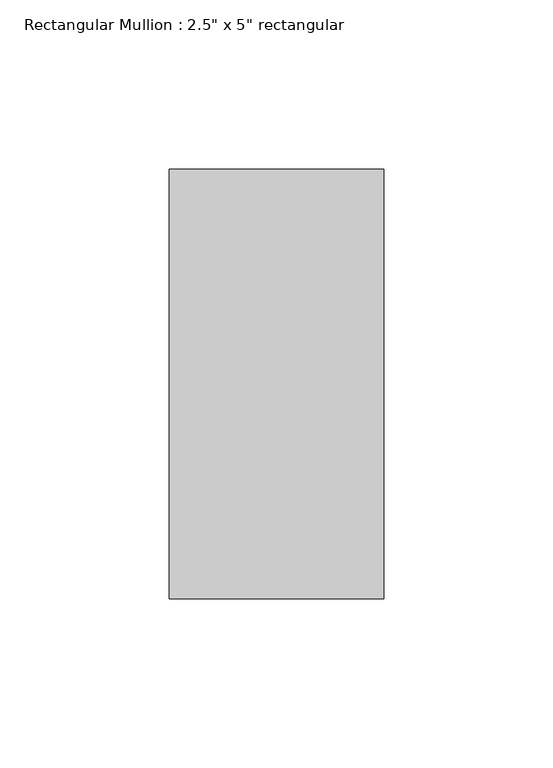
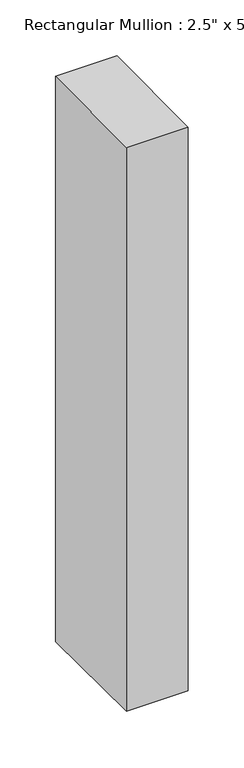
"""IFC4 building model written with IfcOpenShell, lengths in millimetres: member geometry."""

import ifcopenshell
import ifcopenshell.guid

model = None  # the IFC model being written
_history = None  # IfcOwnerHistory: only IFC2X3 demands one
_inside = {}  # id of a spatial element -> (the spatial element, [elements in it])
_under = {}  # id of a project, library or spatial element -> (it, [spatial elements below it])
_declared = {}  # id of a project -> (the project, [libraries it declares])
_typed = {}  # id of a type object -> (the type object, [elements of that type])
_made_of = {}  # id of a material, layer set ... -> (it, [elements and type objects made of it])


def new_model(schema):
    """Start an empty IFC model of exactly this schema.

    Asked for "IFC4X3", IfcOpenShell would pick the latest addendum, in which some entities
    have other attributes; the version numbers below select the first issue.
    IFC2X3 requires an IfcOwnerHistory on every rooted entity: one is made here for all.
    """
    global model, _history
    if schema == "IFC4X3":
        model = ifcopenshell.file(schema_version=(4, 3, 0, 0))
    else:
        model = ifcopenshell.file(schema=schema)
    _inside.clear()
    _under.clear()
    _declared.clear()
    _typed.clear()
    _made_of.clear()
    _history = None
    if model.schema == "IFC2X3":
        org = make("IfcOrganization", Name="unknown")
        user = make(
            "IfcPersonAndOrganization",
            ThePerson=make("IfcPerson", FamilyName="unknown"),
            TheOrganization=org,
        )
        app = make(
            "IfcApplication",
            ApplicationDeveloper=org,
            Version="unknown",
            ApplicationFullName="unknown",
            ApplicationIdentifier="unknown",
        )
        _history = make(
            "IfcOwnerHistory",
            OwningUser=user,
            OwningApplication=app,
            ChangeAction="ADDED",
            CreationDate=0,
        )
    return model


def make(cls, **values):
    """One entity of the class cls with the attributes given. An attribute that is None is left unset."""
    return model.create_entity(
        cls, **{name: value for name, value in values.items() if value is not None}
    )


def rooted(cls, **values):
    """An entity with a GlobalId (a new one), such as an element, a storey or a relation."""
    return make(cls, GlobalId=ifcopenshell.guid.new(), OwnerHistory=_history, **values)


def si_unit(unit_type, name, prefix=None):
    """IfcSIUnit, for example si_unit("LENGTHUNIT", "METRE", prefix="MILLI")."""
    return make("IfcSIUnit", UnitType=unit_type, Prefix=prefix, Name=name)


def assignment(units):
    """IfcUnitAssignment: the units of a project."""
    return None if units is None else make("IfcUnitAssignment", Units=units)


def point(xyz):
    """IfcCartesianPoint."""
    return None if xyz is None else make("IfcCartesianPoint", Coordinates=xyz)


def direction(xyz):
    """IfcDirection."""
    return None if xyz is None else make("IfcDirection", DirectionRatios=xyz)


def frame(location, z_axis=None, x_axis=None):
    """IfcAxis2Placement3D, a coordinate frame: its origin and axes. An axis left out is left unset."""
    return make(
        "IfcAxis2Placement3D",
        Location=point(location),
        Axis=direction(z_axis),
        RefDirection=direction(x_axis),
    )


def origin():
    """The frame at (0, 0, 0) with its axes left unset."""
    return frame((0.0, 0.0, 0.0))


def place(relative_to, where):
    """IfcLocalPlacement: puts the frame where relative to a parent placement (None: the world)."""
    return make(
        "IfcLocalPlacement", PlacementRelTo=relative_to, RelativePlacement=where
    )


def context(
    kind, dimensions, precision=None, world=None, true_north=None, identifier=None
):
    """IfcGeometricRepresentationContext, for example the 3D "Model" context."""
    return make(
        "IfcGeometricRepresentationContext",
        ContextIdentifier=identifier,
        ContextType=kind,
        CoordinateSpaceDimension=dimensions,
        Precision=precision,
        WorldCoordinateSystem=world,
        TrueNorth=true_north,
    )


def project(units=None, contexts=None):
    """IfcProject with its units and contexts."""
    return rooted(
        "IfcProject",
        Name="project",
        RepresentationContexts=contexts,
        UnitsInContext=assignment(units),
    )


def spatial(cls, under=None, at=None, **own):
    """A site, building, storey or space (cls), placed at a placement, below another one or the project."""
    s = rooted(cls, ObjectPlacement=at, **own)
    if under is not None:
        _under.setdefault(under.id(), (under, []))[1].append(s)
    return s


def faces_of(points, faces, orient=None, outer=None):
    """IfcFace entities. A face is a list of loops; a loop is a list of indices into points, from 0.

    orient and outer hold one flag for each loop. By default every Orientation is true, the
    first loop of a face is its IfcFaceOuterBound and the others are IfcFaceBound.
    """
    made = []
    for i, loops in enumerate(faces):
        bounds = []
        for j, loop in enumerate(loops):
            is_outer = j == 0 if outer is None else outer[i][j]
            bounds.append(
                make(
                    "IfcFaceOuterBound" if is_outer else "IfcFaceBound",
                    Bound=make("IfcPolyLoop", Polygon=[points[k] for k in loop]),
                    Orientation=True if orient is None else orient[i][j],
                )
            )
        made.append(make("IfcFace", Bounds=bounds))
    return made


def faceted_brep(points, faces, orient=None, outer=None, voids=None):
    """IfcFacetedBrep: a solid bounded by flat faces; with voids (closed shells), ...WithVoids."""
    shared = [point(p) for p in points]
    hull = make("IfcClosedShell", CfsFaces=faces_of(shared, faces, orient, outer))
    if voids is None:
        return make("IfcFacetedBrep", Outer=hull)
    return make(
        "IfcFacetedBrepWithVoids",
        Outer=hull,
        Voids=[
            make(cls, CfsFaces=faces_of(shared, fs, o, b)) for cls, fs, o, b in voids
        ],
    )


def shape(context_of_items, identifier, shape_type, items):
    """IfcShapeRepresentation: the items that make up one representation, for example the "Body"."""
    return make(
        "IfcShapeRepresentation",
        ContextOfItems=context_of_items,
        RepresentationIdentifier=identifier,
        RepresentationType=shape_type,
        Items=items,
    )


def source(mapping_origin, context_of_items, identifier, shape_type, items):
    """IfcRepresentationMap: a shape defined once, which mapped items show again and again."""
    return make(
        "IfcRepresentationMap",
        MappingOrigin=mapping_origin,
        MappedRepresentation=shape(context_of_items, identifier, shape_type, items),
    )


def transform(
    local_origin,
    x_axis=None,
    y_axis=None,
    z_axis=None,
    scale=None,
    scale2=None,
    scale3=None,
    uniform=True,
):
    """IfcCartesianTransformationOperator3D, or its non-uniform kind. x_axis, y_axis, z_axis: its Axis1, 2, 3."""
    if uniform:
        return make(
            "IfcCartesianTransformationOperator3D",
            Axis1=direction(x_axis),
            Axis2=direction(y_axis),
            LocalOrigin=point(local_origin),
            Scale=scale,
            Axis3=direction(z_axis),
        )
    return make(
        "IfcCartesianTransformationOperator3DnonUniform",
        Axis1=direction(x_axis),
        Axis2=direction(y_axis),
        LocalOrigin=point(local_origin),
        Scale=scale,
        Axis3=direction(z_axis),
        Scale2=scale2,
        Scale3=scale3,
    )


def mapped(mapping_source, mapping_target):
    """IfcMappedItem: shows the shape of a source again, moved by a transform."""
    return make(
        "IfcMappedItem", MappingSource=mapping_source, MappingTarget=mapping_target
    )


def made_of(thing, what):
    """Note that an element or type object is made of a material, layer set ...; save() writes the relation."""
    if what is not None:
        _made_of.setdefault(what.id(), (what, []))[1].append(thing)
    return thing


def element(
    cls,
    number,
    at=None,
    inside=None,
    cuts=None,
    type_object=None,
    material=None,
    context=None,
    identifier="Body",
    shape_type=None,
    held_by="IfcProductDefinitionShape",
    body=None,
    shapes=None,
    **own,
):
    """One element of the class cls, such as IfcWall. Its Tag is "e" and its number.

    at: its placement. inside: the storey or other place that contains it. cuts: it is an
    opening in that element (IfcRelVoidsElement). A single representation is given by context,
    identifier, shape_type and body (its items); several are given by shapes. held_by: the class
    of the entity that holds the representations. save() writes the other relations.
    """
    e = rooted(cls, Tag="e%d" % number, ObjectPlacement=at, **own)
    if body is not None:
        shapes = [shape(context, identifier, shape_type, body)]
    if shapes is not None:
        e.Representation = make(held_by, Representations=shapes)
    if inside is not None:
        _inside.setdefault(inside.id(), (inside, []))[1].append(e)
    if cuts is not None:
        rooted(
            "IfcRelVoidsElement", RelatingBuildingElement=cuts, RelatedOpeningElement=e
        )
    if type_object is not None:
        _typed.setdefault(type_object.id(), (type_object, []))[1].append(e)
    return made_of(e, material)


def aggregate(whole, parts):
    """IfcRelAggregates: a whole, such as a stair, and the parts it consists of."""
    return rooted("IfcRelAggregates", RelatingObject=whole, RelatedObjects=parts)


def save(model, path):
    """Write the relations noted so far, then the file.

    IfcRelAggregates (storeys below a building ...), IfcRelContainedInSpatialStructure (elements
    in a storey), IfcRelDefinesByType, IfcRelAssociatesMaterial and IfcRelDeclares: one each for
    every whole, place, type object, material and project.
    """
    for whole, parts in _under.values():
        aggregate(whole, parts)
    for where, things in _inside.values():
        rooted(
            "IfcRelContainedInSpatialStructure",
            RelatedElements=things,
            RelatingStructure=where,
        )
    for kind, things in _typed.values():
        rooted("IfcRelDefinesByType", RelatedObjects=things, RelatingType=kind)
    for what, things in _made_of.values():
        rooted("IfcRelAssociatesMaterial", RelatedObjects=things, RelatingMaterial=what)
    for by, libraries in _declared.values():
        rooted("IfcRelDeclares", RelatingContext=by, RelatedDefinitions=libraries)
    model.write(path)


def member_80980e49(model_context):
    return source(origin(), model_context, "Body", "Brep", [
        faceted_brep([(-63.5, 63.5, 0.255751), (0.0, 63.5, 0.3855409), (0.0, 63.5, -616.8546457), (-63.5, 63.5, -616.923032), (-63.5, -63.5, -0.5153307), (-63.5, -63.5, -616.1521722), (0.0, -63.5, -0.3855409), (0.0, -63.5, -616.083786)], [[[0, 1, 2, 3]], [[4, 0, 3, 5]], [[6, 4, 5, 7]], [[1, 6, 7, 2]], [[1, 0, 4, 6]], [[2, 7, 5, 3]]]),
    ])


if __name__ == "__main__":
    model = new_model("IFC4")
    model_context = context("Model", 3, world=origin())
    ifc_project = project(units=[si_unit("LENGTHUNIT", "METRE", prefix="MILLI")], contexts=[model_context])
    site = spatial("IfcSite", under=ifc_project)
    building = spatial("IfcBuilding", under=site)
    placement = place(None, origin())
    member_shape = member_80980e49(model_context)
    element("IfcMember", 1, ObjectType="Rectangular Mullion : 2.5\" x 5\" rectangular", at=placement, inside=building, context=model_context, shape_type="MappedRepresentation", body=[
        mapped(member_shape, transform((0.0, 0.0, 0.0), x_axis=(1.0, 0.0, 0.0), y_axis=(0.0, 1.0, 0.0), z_axis=(0.0, 0.0, 1.0))),
    ])
    save(model, "model.ifc")
